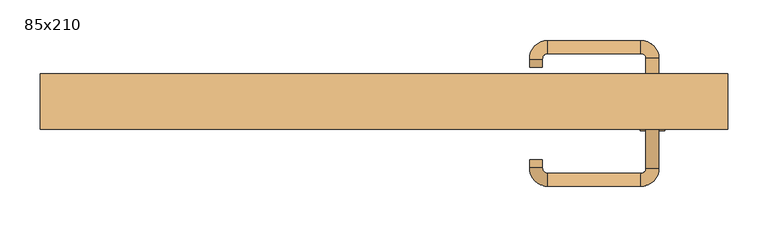
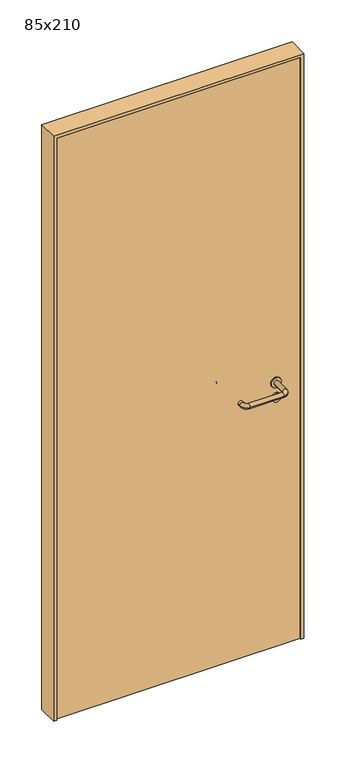
"""IFC4 building model written with IfcOpenShell, lengths in millimetres: door geometry, 85x210."""

from ifc_helpers import new_model, si_unit, point, frame, frame_2d, origin, origin_with_axes, place, context, project, spatial, polyline, circle_curve, ellipse_curve, trimmed, segment, composite_curve, outline, extrude, source, transform, mapped, element, save
from ifc_brep_helpers import plane_surface, cylinder_surface, revolved_surface, advanced_brep


def door_85x210_d8f0b81a(model_context):
    return source(origin(), model_context, "Body", "SolidModel", [
        extrude(outline(composite_curve([segment(trimmed(circle_curve(frame_2d((897.3605726, 332.0)), 15.0), [point((897.3605726, 347.0))], [point((897.3605726, 317.0))], False, "CARTESIAN"), True, "CONTINUOUS"), segment(trimmed(circle_curve(frame_2d((897.3605726, 332.0)), 15.0), [point((897.3605726, 317.0))], [point((897.3605726, 347.0))], False, "CARTESIAN"), True, "CONTINUOUS")], self_intersect=False), holes=[composite_curve([segment(trimmed(circle_curve(frame_2d((892.5833211, 331.9398032)), 2.0), [point((892.5833211, 333.9398032))], [point((892.5833211, 329.9398032))], True, "CARTESIAN"), True, "CONTINUOUS"), segment(polyline([(892.5833211, 329.9398032), (902.5833211, 329.9398032)]), True, "CONTINUOUS"), segment(trimmed(circle_curve(frame_2d((902.5833211, 331.9398032)), 2.0), [point((902.5833211, 329.9398032))], [point((902.5833211, 333.9398032))], True, "CARTESIAN"), True, "CONTINUOUS"), segment(polyline([(902.5833211, 333.9398032), (892.5833211, 333.9398032)]), True, "CONTINUOUS")], self_intersect=False)]), frame((0.0, 0.0, 0.0), z_axis=(0.0, 1.0, 0.0), x_axis=(0.0, 0.0, 1.0)), (0.0, 0.0, 1.0), 6.35),
        extrude(outline(composite_curve([segment(trimmed(circle_curve(frame_2d((950.0, 332.0)), 17.526), [point((950.0, 349.526))], [point((950.0, 314.474))], False, "CARTESIAN"), True, "CONTINUOUS"), segment(trimmed(circle_curve(frame_2d((950.0, 332.0)), 17.526), [point((950.0, 314.474))], [point((950.0, 349.526))], False, "CARTESIAN"), True, "CONTINUOUS")], self_intersect=False)), frame((0.0, 0.0, 0.0), z_axis=(0.0, 1.0, 0.0), x_axis=(0.0, 0.0, 1.0)), (0.0, 0.0, 1.0), 3.175),
        advanced_brep(
        [(340.0, 0.0, 950.0), (324.0, 0.0, 950.0), (340.0, 53.0, 950.0), (324.0, 53.0, 950.0), (317.8578644, 59.1421356, 950.0), (317.8578644, 75.1421356, 950.0), (202.8578644, 75.1421356, 950.0), (202.8578644, 59.1421356, 950.0), (196.008622, 52.2928932, 950.0), (180.008622, 52.2928932, 950.0), (180.008622, 42.2928932, 950.0), (196.008622, 42.2928932, 950.0)],
        [
            (0, 1, circle_curve(frame((332.0, 0.0, 950.0), z_axis=(0.0, -1.0, 0.0), x_axis=(-1.0, 0.0, 0.0)), 8.0)),
            (1, 0, circle_curve(frame((332.0, 0.0, 950.0), z_axis=(0.0, -1.0, 0.0), x_axis=(-1.0, 0.0, 0.0)), 8.0)),
            (0, 2),
            (2, 3, circle_curve(frame((332.0, 53.0, 950.0), z_axis=(0.0, -1.0, 0.0), x_axis=(-1.0, 0.0, 0.0)), 8.0)),
            (3, 1),
            (3, 2, circle_curve(frame((332.0, 53.0, 950.0), z_axis=(0.0, -1.0, 0.0), x_axis=(-1.0, 0.0, 0.0)), 8.0)),
            (4, 3, circle_curve(frame((317.8578644, 53.0, 950.0), z_axis=(0.0, 0.0, -1.0), x_axis=(1.0, 0.0, 0.0)), 6.1421356)),
            (2, 5, circle_curve(frame((317.8578644, 53.0, 950.0), z_axis=(0.0, 0.0, 1.0), x_axis=(1.0, 0.0, 0.0)), 22.1421356)),
            (5, 4, circle_curve(frame((317.8578644, 67.1421356, 950.0), z_axis=(1.0, 0.0, 0.0), x_axis=(0.0, -1.0, 0.0)), 8.0)),
            (4, 5, circle_curve(frame((317.8578644, 67.1421356, 950.0), z_axis=(1.0, 0.0, 0.0), x_axis=(0.0, -1.0, 0.0)), 8.0)),
            (5, 6),
            (6, 7, circle_curve(frame((202.8578644, 67.1421356, 950.0), z_axis=(1.0, 0.0, 0.0), x_axis=(0.0, -1.0, 0.0)), 8.0)),
            (7, 4),
            (7, 6, circle_curve(frame((202.8578644, 67.1421356, 950.0), z_axis=(1.0, 0.0, 0.0), x_axis=(0.0, -1.0, 0.0)), 8.0)),
            (8, 7, circle_curve(frame((202.8578644, 52.2928932, 950.0), z_axis=(0.0, 0.0, -1.0), x_axis=(0.0, 1.0, 0.0)), 6.8492424)),
            (6, 9, circle_curve(frame((202.8578644, 52.2928932, 950.0), z_axis=(0.0, 0.0, 1.0), x_axis=(0.0, 1.0, 0.0)), 22.8492424)),
            (9, 8, circle_curve(frame((188.008622, 52.2928932, 950.0), z_axis=(0.0, 1.0, 0.0), x_axis=(1.0, 0.0, 0.0)), 8.0)),
            (8, 9, circle_curve(frame((188.008622, 52.2928932, 950.0), z_axis=(0.0, 1.0, 0.0), x_axis=(1.0, 0.0, 0.0)), 8.0)),
            (10, 11, circle_curve(frame((188.008622, 42.2928932, 950.0), z_axis=(0.0, -1.0, 0.0), x_axis=(1.0, 0.0, 0.0)), 8.0)),
            (11, 10, circle_curve(frame((188.008622, 42.2928932, 950.0), z_axis=(0.0, -1.0, 0.0), x_axis=(1.0, 0.0, 0.0)), 8.0)),
            (9, 10),
            (11, 8),
        ],
        [
            plane_surface(frame((332.0, 0.0, 0.0), z_axis=(0.0, -1.0, 0.0), x_axis=(0.0, 0.0, 1.0))),
            cylinder_surface(frame((332.0, 0.0, 950.0), z_axis=(0.0, -1.0, 0.0), x_axis=(-1.0, 0.0, 0.0)), 8.0),
            revolved_surface(trimmed(ellipse_curve(frame((332.0, 53.0, 950.0), z_axis=(0.0, -1.0, 0.0), x_axis=(-1.0, 0.0, 0.0)), 8.0, 8.0), [point((340.0, 53.0, 950.0))], [point((324.0, 53.0, 950.0))], True, "CARTESIAN"), (317.8578644, 53.0, 0.0), (0.0, 0.0, 1.0)),
            revolved_surface(trimmed(ellipse_curve(frame((332.0, 53.0, 950.0), z_axis=(0.0, -1.0, 0.0), x_axis=(-1.0, 0.0, 0.0)), 8.0, 8.0), [point((324.0, 53.0, 950.0))], [point((340.0, 53.0, 950.0))], True, "CARTESIAN"), (317.8578644, 53.0, 0.0), (0.0, 0.0, 1.0)),
            cylinder_surface(frame((317.8578644, 67.1421356, 950.0), z_axis=(1.0, 0.0, 0.0), x_axis=(0.0, -1.0, 0.0)), 8.0),
            revolved_surface(trimmed(ellipse_curve(frame((202.8578644, 67.1421356, 950.0), z_axis=(1.0, 0.0, 0.0), x_axis=(0.0, -1.0, 0.0)), 8.0, 8.0), [point((202.8578644, 75.1421356, 950.0))], [point((202.8578644, 59.1421356, 950.0))], True, "CARTESIAN"), (202.8578644, 52.2928932, 0.0), (0.0, 0.0, 1.0)),
            revolved_surface(trimmed(ellipse_curve(frame((202.8578644, 67.1421356, 950.0), z_axis=(1.0, 0.0, 0.0), x_axis=(0.0, -1.0, 0.0)), 8.0, 8.0), [point((202.8578644, 59.1421356, 950.0))], [point((202.8578644, 75.1421356, 950.0))], True, "CARTESIAN"), (202.8578644, 52.2928932, 0.0), (0.0, 0.0, 1.0)),
            plane_surface(frame((188.008622, 42.2928932, 0.0), z_axis=(0.0, -1.0, 0.0), x_axis=(0.0, 0.0, 1.0))),
            cylinder_surface(frame((188.008622, 52.2928932, 950.0), z_axis=(0.0, 1.0, 0.0), x_axis=(1.0, 0.0, 0.0)), 8.0),
        ],
        [
            (0, [[1, 2]]),
            (1, [[-1, 3, 4, 5]]),
            (1, [[-2, -5, 6, -3]]),
            (2, [[7, -4, 8, 9]]),
            (3, [[-8, -6, -7, 10]]),
            (4, [[-9, 11, 12, 13]]),
            (4, [[-10, -13, 14, -11]]),
            (5, [[15, -12, 16, 17]]),
            (6, [[-16, -14, -15, 18]]),
            (7, [[19, 20]]),
            (8, [[-17, 21, -20, 22]]),
            (8, [[-18, -22, -19, -21]]),
        ],
    ),
        extrude(outline(composite_curve([segment(trimmed(circle_curve(frame_2d((0.0, 15.0)), 15.0), [point((0.0, 30.0))], [point((0.0, 0.0))], False, "CARTESIAN"), True, "CONTINUOUS"), segment(trimmed(circle_curve(frame_2d((0.0, 15.0)), 15.0), [point((0.0, 0.0))], [point((0.0, 30.0))], False, "CARTESIAN"), True, "CONTINUOUS")], self_intersect=False), holes=[composite_curve([segment(trimmed(circle_curve(frame_2d((-4.7772515, 14.9398032)), 2.0), [point((-4.7772515, 16.9398032))], [point((-4.7772515, 12.9398032))], True, "CARTESIAN"), True, "CONTINUOUS"), segment(polyline([(-4.7772515, 12.9398032), (5.2227485, 12.9398032)]), True, "CONTINUOUS"), segment(trimmed(circle_curve(frame_2d((5.2227485, 14.9398032)), 2.0), [point((5.2227485, 12.9398032))], [point((5.2227485, 16.9398032))], True, "CARTESIAN"), True, "CONTINUOUS"), segment(polyline([(5.2227485, 16.9398032), (-4.7772515, 16.9398032)]), True, "CONTINUOUS")], self_intersect=False)]), frame((317.0, -36.35, 897.3605726), z_axis=(-1.8870575173328306e-12, 1.0, 0.0), x_axis=(0.0, 0.0, 1.0)), (0.0, 0.0, 1.0), 6.35),
        extrude(outline(composite_curve([segment(trimmed(circle_curve(frame_2d((0.0, 17.526)), 17.526), [point((0.0, 35.052))], [point((0.0, 0.0))], False, "CARTESIAN"), True, "CONTINUOUS"), segment(trimmed(circle_curve(frame_2d((0.0, 17.526)), 17.526), [point((0.0, 0.0))], [point((0.0, 35.052))], False, "CARTESIAN"), True, "CONTINUOUS")], self_intersect=False)), frame((314.474, -33.175, 950.0), z_axis=(-1.8870575173328306e-12, 1.0, 0.0), x_axis=(0.0, 0.0, 1.0)), (0.0, 0.0, 1.0), 3.175),
        advanced_brep(
        [(340.0, -30.0, 950.0), (324.0, -30.0, 950.0), (324.0, -83.0, 950.0), (340.0, -83.0, 950.0), (317.8578644, -89.1421356, 950.0), (317.8578644, -105.1421356, 950.0), (202.8578644, -89.1421356, 950.0), (202.8578644, -105.1421356, 950.0), (196.008622, -82.2928932, 950.0), (180.008622, -82.2928932, 950.0), (180.008622, -72.2928932, 950.0), (196.008622, -72.2928932, 950.0)],
        [
            (0, 1, circle_curve(frame((332.0, -30.0, 950.0), z_axis=(-1.888672253512351e-12, 1.0, 0.0), x_axis=(-1.0, -1.888672253512351e-12, 0.0)), 8.0)),
            (1, 0, circle_curve(frame((332.0, -30.0, 950.0), z_axis=(-1.888672253512351e-12, 1.0, 0.0), x_axis=(-1.0, -1.888672253512351e-12, 0.0)), 8.0)),
            (1, 2),
            (2, 3, circle_curve(frame((332.0, -83.0, 950.0), z_axis=(-1.888672253512351e-12, 1.0, 0.0), x_axis=(-1.0, -1.888672253512351e-12, 0.0)), 8.0)),
            (3, 0),
            (3, 2, circle_curve(frame((332.0, -83.0, 950.0), z_axis=(-1.888672253512351e-12, 1.0, 0.0), x_axis=(-1.0, -1.888672253512351e-12, 0.0)), 8.0)),
            (4, 5, circle_curve(frame((317.8578644, -97.1421356, 950.0), z_axis=(1.0, 1.913702061528922e-12, 0.0), x_axis=(-1.913702061528922e-12, 1.0, 0.0)), 8.0)),
            (5, 3, circle_curve(frame((317.8578644, -83.0, 950.0), z_axis=(0.0, 0.0, 1.0), x_axis=(1.0, 1.880717803715015e-12, 0.0)), 22.1421356)),
            (2, 4, circle_curve(frame((317.8578644, -83.0, 950.0), z_axis=(0.0, 0.0, -1.0), x_axis=(1.0, 1.880717803715015e-12, 0.0)), 6.1421356)),
            (5, 4, circle_curve(frame((317.8578644, -97.1421356, 950.0), z_axis=(1.0, 1.913702061528922e-12, 0.0), x_axis=(-1.913702061528922e-12, 1.0, 0.0)), 8.0)),
            (4, 6),
            (6, 7, circle_curve(frame((202.8578644, -97.1421356, 950.0), z_axis=(1.0, 1.913719828541269e-12, 0.0), x_axis=(-1.913719828541269e-12, 1.0, 0.0)), 8.0)),
            (7, 5),
            (7, 6, circle_curve(frame((202.8578644, -97.1421356, 950.0), z_axis=(1.0, 1.913719828541269e-12, 0.0), x_axis=(-1.913719828541269e-12, 1.0, 0.0)), 8.0)),
            (8, 9, circle_curve(frame((188.008622, -82.2928932, 950.0), z_axis=(1.8888942981172756e-12, -1.0, 0.0), x_axis=(1.0, 1.8888942981172756e-12, 0.0)), 8.0)),
            (9, 7, circle_curve(frame((202.8578644, -82.2928932, 950.0), z_axis=(0.0, 0.0, 1.0), x_axis=(1.9120873253494017e-12, -1.0, 0.0)), 22.8492424)),
            (6, 8, circle_curve(frame((202.8578644, -82.2928932, 950.0), z_axis=(0.0, 0.0, -1.0), x_axis=(1.9120873253494017e-12, -1.0, 0.0)), 6.8492424)),
            (9, 8, circle_curve(frame((188.008622, -82.2928932, 950.0), z_axis=(1.890448610351751e-12, -1.0, 0.0), x_axis=(1.0, 1.890448610351751e-12, 0.0)), 8.0)),
            (10, 11, circle_curve(frame((188.008622, -72.2928932, 950.0), z_axis=(-1.8903642334018795e-12, 1.0, 0.0), x_axis=(1.0, 1.8903642334018795e-12, 0.0)), 8.0)),
            (11, 10, circle_curve(frame((188.008622, -72.2928932, 950.0), z_axis=(-1.8903642334018795e-12, 1.0, 0.0), x_axis=(1.0, 1.8903642334018795e-12, 0.0)), 8.0)),
            (8, 11),
            (10, 9),
        ],
        [
            plane_surface(frame((332.0, -30.0, 0.0), z_axis=(-1.8870575173328306e-12, 1.0, 0.0), x_axis=(0.0, 0.0, 1.0))),
            cylinder_surface(frame((332.0, -30.0, 950.0), z_axis=(-1.888672253512351e-12, 1.0, 0.0), x_axis=(-1.0, -1.888672253512351e-12, 0.0)), 8.0),
            revolved_surface(trimmed(ellipse_curve(frame((332.0, -83.0, 950.0), z_axis=(1.8823325398945356e-12, -1.0, 0.0), x_axis=(-1.0, -1.8823325398945356e-12, 0.0)), 8.0, 8.0), [point((340.0, -83.0, 950.0))], [point((324.0, -83.0, 950.0))], True, "CARTESIAN"), (317.8578644, -83.0, 0.0), (0.0, 0.0, 1.0)),
            revolved_surface(trimmed(ellipse_curve(frame((332.0, -83.0, 950.0), z_axis=(1.8823325398945356e-12, -1.0, 0.0), x_axis=(-1.0, -1.8823325398945356e-12, 0.0)), 8.0, 8.0), [point((324.0, -83.0, 950.0))], [point((340.0, -83.0, 950.0))], True, "CARTESIAN"), (317.8578644, -83.0, 0.0), (0.0, 0.0, 1.0)),
            cylinder_surface(frame((317.8578644, -97.1421356, 950.0), z_axis=(1.0, 1.913719828541269e-12, 0.0), x_axis=(-1.913719828541269e-12, 1.0, 0.0)), 8.0),
            revolved_surface(trimmed(ellipse_curve(frame((202.8578644, -97.1421356, 950.0), z_axis=(-1.0, -1.913702061528922e-12, 0.0), x_axis=(-1.913702061528922e-12, 1.0, 0.0)), 8.0, 8.0), [point((202.8578644, -105.1421356, 950.0))], [point((202.8578644, -89.1421356, 950.0))], True, "CARTESIAN"), (202.8578644, -82.2928932, 0.0), (0.0, 0.0, 1.0)),
            revolved_surface(trimmed(ellipse_curve(frame((202.8578644, -97.1421356, 950.0), z_axis=(-1.0, -1.913702061528922e-12, 0.0), x_axis=(-1.913702061528922e-12, 1.0, 0.0)), 8.0, 8.0), [point((202.8578644, -89.1421356, 950.0))], [point((202.8578644, -105.1421356, 950.0))], True, "CARTESIAN"), (202.8578644, -82.2928932, 0.0), (0.0, 0.0, 1.0)),
            plane_surface(frame((188.008622, -72.2928932, 0.0), z_axis=(-1.8887494972223595e-12, 1.0, 0.0), x_axis=(0.0, 0.0, 1.0))),
            cylinder_surface(frame((188.008622, -82.2928932, 950.0), z_axis=(1.8903642334018795e-12, -1.0, 0.0), x_axis=(1.0, 1.8903642334018795e-12, 0.0)), 8.0),
        ],
        [
            (0, [[1, 2]]),
            (1, [[3, 4, 5, -2]]),
            (1, [[-5, 6, -3, -1]]),
            (2, [[7, 8, -4, 9]]),
            (3, [[10, -9, -6, -8]]),
            (4, [[11, 12, 13, -7]]),
            (4, [[-13, 14, -11, -10]]),
            (5, [[15, 16, -12, 17]]),
            (6, [[18, -17, -14, -16]]),
            (7, [[19, 20]]),
            (8, [[21, -19, 22, -15]]),
            (8, [[-22, -20, -21, -18]]),
        ],
    ),
        extrude(outline(polyline([(2090.0, 415.0), (0.0, 415.0), (0.0, 425.0), (2100.0, 425.0), (2100.0, -425.0), (0.0, -425.0), (0.0, -415.0), (2090.0, -415.0), (2090.0, 415.0)])), frame((0.0, -35.0, 0.0), z_axis=(0.0, 1.0, 0.0), x_axis=(0.0, 0.0, 1.0)), (0.0, 0.0, 1.0), 69.0),
        extrude(outline(polyline([(-415.0, -30.0), (-415.0, 0.0), (415.0, 0.0), (415.0, -30.0), (-415.0, -30.0)])), origin_with_axes(), (0.0, 0.0, 1.0), 2090.0),
    ])


if __name__ == "__main__":
    model = new_model("IFC4")
    model_context = context("Model", 3, world=origin())
    ifc_project = project(units=[si_unit("LENGTHUNIT", "METRE", prefix="MILLI")], contexts=[model_context])
    site = spatial("IfcSite", under=ifc_project)
    building = spatial("IfcBuilding", under=site)
    placement = place(None, origin())
    door_85x210_shape = door_85x210_d8f0b81a(model_context)
    element("IfcDoor", 1, ObjectType="85x210", at=placement, inside=building, context=model_context, shape_type="MappedRepresentation", body=[
        mapped(door_85x210_shape, transform((0.0, 0.0, 0.0), x_axis=(1.0, 0.0, 0.0), y_axis=(0.0, 1.0, 0.0), z_axis=(0.0, 0.0, 1.0))),
    ])
    save(model, "model.ifc")
